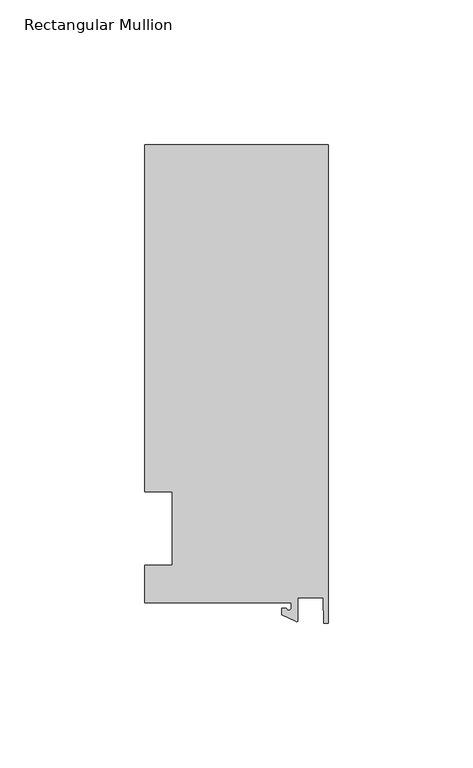
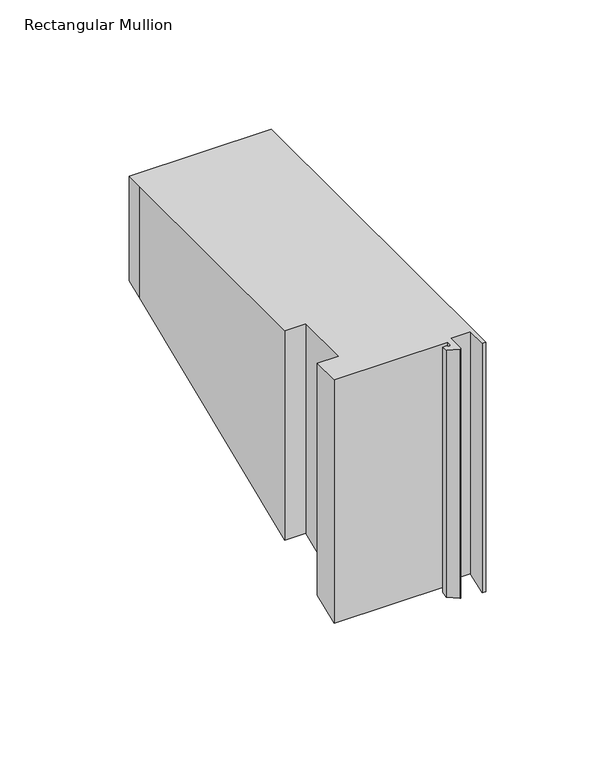
"""IFC4 building model written with IfcOpenShell, lengths in millimetres: member geometry, Rectangular Mullion."""

from ifc_helpers import new_model, si_unit, frame, origin, place, context, project, spatial, polyline, circle_curve, ellipse_curve, source, transform, mapped, element, save
from ifc_brep_helpers import plane_surface, cylinder_surface, revolved_surface, advanced_brep


def rectangular_mullion_7de812e3(model_context):
    return source(origin(), model_context, "Body", "AdvancedBrep", [
        advanced_brep(
        [(-12.8216721, -25.5984375, 0.0), (-12.8216721, -27.5208534, 0.0), (-14.4091721, -27.5208534, 0.0), (-15.9966721, -27.5208534, 0.0), (-15.9966721, -29.8830527, 0.0), (-11.1567622, -32.1399398, 0.0), (-10.4340721, -31.6795354, 0.0), (-10.4340721, -23.9227662, 0.0), (-1.7144124, -23.9227662, 0.0), (-1.5566453, -32.810012, 0.0), (0.0, -32.810012, 0.0), (0.0, 132.822512, 0.0), (-63.5, 132.822512, 0.0), (-63.5, 125.075512, 0.0), (-63.5, 12.7, 0.0), (-53.975, 12.7, 0.0), (-53.975, -12.7, 0.0), (-63.5, -12.7, 0.0), (-63.5, -25.5984375, 0.0), (-12.8216721, -25.5984375, -114.8553372), (-12.8216721, -27.5208534, -115.6516279), (-14.4091721, -27.5208534, -115.6516279), (-15.9966721, -27.5208534, -115.6516279), (-15.9966721, -29.8830527, -116.6300829), (-11.1567622, -32.1399398, -117.5649161), (-10.4340721, -31.6795354, -117.3742104), (-10.4340721, -23.9227662, -114.1612514), (-1.7144124, -23.9227662, -114.1612514), (-1.5566453, -32.810012, -117.8424691), (0.0, -32.810012, -117.8424691), (0.0, 132.822512, -49.2352313), (-63.5, 132.822512, -49.2352313), (-63.5, 125.075512, -52.4441438), (-63.5, 12.7, -98.9916049), (-53.975, 12.7, -98.9916049), (-53.975, -12.7, -109.5126294), (-63.5, -12.7, -109.5126294), (-63.5, -25.5984375, -114.8553372)],
        [
            (0, 1),
            (1, 2, circle_curve(frame((-13.6154221, -27.5208534, 0.0), z_axis=(0.0, 0.0, -1.0), x_axis=(-1.0, 0.0, 0.0)), 0.79375)),
            (2, 3),
            (3, 4),
            (4, 5),
            (5, 6, circle_curve(frame((-10.9420721, -31.6795354, 0.0), z_axis=(0.0, 0.0, 1.0), x_axis=(-1.0, 0.0, 0.0)), 0.508)),
            (6, 7),
            (7, 8),
            (8, 9),
            (9, 10),
            (10, 11),
            (11, 12),
            (12, 13),
            (13, 14),
            (14, 15),
            (15, 16),
            (16, 17),
            (17, 18),
            (18, 0),
            (0, 19),
            (19, 20),
            (20, 1),
            (20, 21, ellipse_curve(frame((-13.6154221, -27.5208534, -115.6516279), z_axis=(0.0, 0.38268343236508806, -0.9238795325112875), x_axis=(0.0, -0.9238795325112876, -0.38268343236508784)), 0.8591488, 0.79375)),
            (21, 2),
            (21, 22),
            (22, 3),
            (22, 23),
            (23, 4),
            (23, 24),
            (24, 5),
            (24, 25, ellipse_curve(frame((-10.9420721, -31.6795354, -117.3742104), z_axis=(0.0, -0.38268343236508806, 0.9238795325112875), x_axis=(0.0, 0.9238795325112876, 0.38268343236508784)), 0.5498552, 0.508)),
            (25, 6),
            (25, 26),
            (26, 7),
            (26, 27),
            (27, 8),
            (27, 28),
            (28, 9),
            (28, 29),
            (29, 10),
            (29, 30),
            (30, 11),
            (30, 31),
            (31, 12),
            (31, 32),
            (32, 13),
            (32, 33),
            (33, 14),
            (33, 34),
            (34, 15),
            (34, 35),
            (35, 16),
            (35, 36),
            (36, 17),
            (36, 37),
            (37, 18),
            (37, 19),
        ],
        [
            plane_surface(frame((0.0, -147.2211591, 0.0), z_axis=(0.0, 0.0, 1.0), x_axis=(-1.0, 0.0, 0.0))),
            plane_surface(frame((-12.8216721, -25.5984375, 0.0), z_axis=(-1.0, 0.0, 0.0), x_axis=(0.0, 0.0, -1.0))),
            revolved_surface(polyline([(-14.4091721, -27.5208534, -115.98040991169634), (-14.4091721, -27.5208534, 0.0)]), (-13.6154221, -27.5208534, 0.0), (0.0, 0.0, -1.0)),
            plane_surface(frame((-14.4091721, -27.5208534, 0.0), z_axis=(0.0, 1.0, 0.0), x_axis=(0.0, 0.0, -1.0))),
            plane_surface(frame((-15.9966721, -27.5208534, 0.0), z_axis=(-1.0, 0.0, 0.0), x_axis=(0.0, 0.0, -1.0))),
            plane_surface(frame((-15.9966721, -29.8830527, 0.0), z_axis=(-0.4226182617406985, -0.9063077870366505, 0.0), x_axis=(0.0, 0.0, -1.0))),
            cylinder_surface(frame((-10.9420721, -31.6795354, 0.0), z_axis=(0.0, 0.0, 1.0), x_axis=(-1.0, 0.0, 0.0)), 0.508),
            plane_surface(frame((-10.4340721, -31.6795354, 0.0), z_axis=(1.0, 0.0, 0.0), x_axis=(0.0, 0.0, -1.0))),
            plane_surface(frame((-10.4340721, -23.9227662, 0.0), z_axis=(0.0, -1.0, 0.0), x_axis=(0.0, 0.0, -1.0))),
            plane_surface(frame((-1.7144124, -23.9227662, 0.0), z_axis=(-0.9998424690407919, -0.017749284560600327, 0.0), x_axis=(0.0, 0.0, -1.0))),
            plane_surface(frame((-1.5566453, -32.810012, 0.0), z_axis=(0.0, -1.0, 0.0), x_axis=(0.0, 0.0, -1.0))),
            plane_surface(frame((0.0, -32.810012, 0.0), z_axis=(1.0, 0.0, 0.0), x_axis=(0.0, 0.0, -1.0))),
            plane_surface(frame((0.0, 132.822512, 0.0), z_axis=(0.0, 1.0, 0.0), x_axis=(0.0, 0.0, -1.0))),
            plane_surface(frame((-63.5, 132.822512, 0.0), z_axis=(-1.0, 0.0, 0.0), x_axis=(0.0, 0.0, -1.0))),
            plane_surface(frame((-63.5, 125.075512, 0.0), z_axis=(-1.0, 0.0, 0.0), x_axis=(0.0, 0.0, -1.0))),
            plane_surface(frame((-63.5, 12.7, 0.0), z_axis=(0.0, -1.0, 0.0), x_axis=(0.0, 0.0, -1.0))),
            plane_surface(frame((-53.975, 12.7, 0.0), z_axis=(-1.0, 0.0, 0.0), x_axis=(0.0, 0.0, -1.0))),
            plane_surface(frame((-53.975, -12.7, 0.0), z_axis=(0.0, 1.0, 0.0), x_axis=(0.0, 0.0, -1.0))),
            plane_surface(frame((-63.5, -12.7, 0.0), z_axis=(-1.0, 0.0, 0.0), x_axis=(0.0, 0.0, -1.0))),
            plane_surface(frame((-63.5, -25.5984375, 0.0), z_axis=(0.0, -1.0, 0.0), x_axis=(0.0, 0.0, -1.0))),
            plane_surface(frame((-304.8, 0.0, -104.2521172), z_axis=(0.0, 0.38268343236508806, -0.9238795325112875), x_axis=(0.0, 0.9238795325112875, 0.38268343236508806))),
        ],
        [
            (0, [[1, 2, 3, 4, 5, 6, 7, 8, 9, 10, 11, 12, 13, 14, 15, 16, 17, 18, 19]]),
            (1, [[-1, 20, 21, 22]]),
            (2, [[-2, -22, 23, 24]]),
            (3, [[-3, -24, 25, 26]]),
            (4, [[-4, -26, 27, 28]]),
            (5, [[-5, -28, 29, 30]]),
            (6, [[-6, -30, 31, 32]]),
            (7, [[-7, -32, 33, 34]]),
            (8, [[-8, -34, 35, 36]]),
            (9, [[-9, -36, 37, 38]]),
            (10, [[-10, -38, 39, 40]]),
            (11, [[-11, -40, 41, 42]]),
            (12, [[-12, -42, 43, 44]]),
            (13, [[-13, -44, 45, 46]]),
            (14, [[-14, -46, 47, 48]]),
            (15, [[-15, -48, 49, 50]]),
            (16, [[-16, -50, 51, 52]]),
            (17, [[-17, -52, 53, 54]]),
            (18, [[-18, -54, 55, 56]]),
            (19, [[-19, -56, 57, -20]]),
            (20, [[-57, -55, -53, -51, -49, -47, -45, -43, -41, -39, -37, -35, -33, -31, -29, -27, -25, -23, -21]]),
        ],
    ),
    ])


if __name__ == "__main__":
    model = new_model("IFC4")
    model_context = context("Model", 3, world=origin())
    ifc_project = project(units=[si_unit("LENGTHUNIT", "METRE", prefix="MILLI")], contexts=[model_context])
    site = spatial("IfcSite", under=ifc_project)
    building = spatial("IfcBuilding", under=site)
    placement = place(None, origin())
    rectangular_mullion_shape = rectangular_mullion_7de812e3(model_context)
    element("IfcMember", 1, ObjectType="Rectangular Mullion", at=placement, inside=building, context=model_context, shape_type="MappedRepresentation", body=[
        mapped(rectangular_mullion_shape, transform((0.0, 0.0, 0.0), x_axis=(1.0, 0.0, 0.0), y_axis=(0.0, 1.0, 0.0), z_axis=(0.0, 0.0, 1.0))),
    ])
    save(model, "model.ifc")
